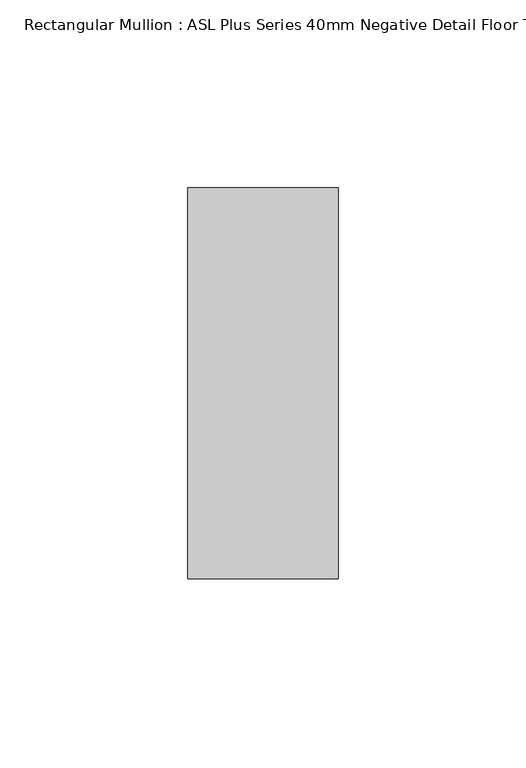
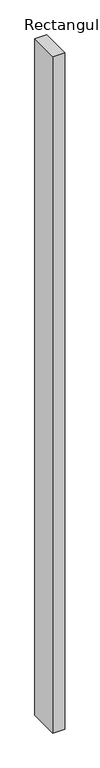
"""IFC4 building model written with IfcOpenShell, lengths in millimetres: member geometry, Rectangular Mullion : ASL Plus Series 40mm Negative Detail Floor Track-90mm Stud."""

from ifc_helpers import new_model, si_unit, frame, origin, place, context, project, spatial, polyline, outline, extrude, source, transform, mapped, element, save


def rectangular_mullion_asl_plus_series_40mm_negative_detail_d8fe0f98(model_context):
    return source(origin(), model_context, "Body", "SweptSolid", [
        extrude(outline(polyline([(0.0, 52.0), (0.0, -52.0), (-40.0, -52.0), (-40.0, 52.0), (0.0, 52.0)])), frame((0.0, 0.0, -2400.0), z_axis=(0.0, 0.0, 1.0), x_axis=(1.0, 0.0, 0.0)), (0.0, 0.0, 1.0), 2400.0),
    ])


if __name__ == "__main__":
    model = new_model("IFC4")
    model_context = context("Model", 3, world=origin())
    ifc_project = project(units=[si_unit("LENGTHUNIT", "METRE", prefix="MILLI")], contexts=[model_context])
    site = spatial("IfcSite", under=ifc_project)
    building = spatial("IfcBuilding", under=site)
    placement = place(None, origin())
    rectangular_mullion_asl_plus_series_40mm_negative_detail_shape = rectangular_mullion_asl_plus_series_40mm_negative_detail_d8fe0f98(model_context)
    element("IfcMember", 1, ObjectType="Rectangular Mullion : ASL Plus Series 40mm Negative Detail Floor Track-90mm Stud", at=placement, inside=building, context=model_context, shape_type="MappedRepresentation", body=[
        mapped(rectangular_mullion_asl_plus_series_40mm_negative_detail_shape, transform((0.0, 0.0, 0.0), x_axis=(1.0, 0.0, 0.0), y_axis=(0.0, 1.0, 0.0), z_axis=(0.0, 0.0, 1.0))),
    ])
    save(model, "model.ifc")
